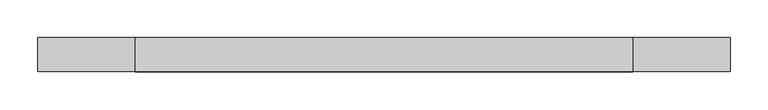
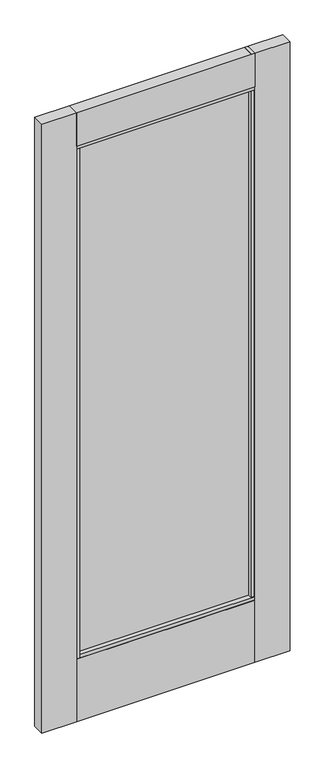
"""IFC4 building model written with IfcOpenShell, lengths in millimetres: plate geometry."""

import ifcopenshell
import ifcopenshell.guid

model = None  # the IFC model being written
_history = None  # IfcOwnerHistory: only IFC2X3 demands one
_inside = {}  # id of a spatial element -> (the spatial element, [elements in it])
_under = {}  # id of a project, library or spatial element -> (it, [spatial elements below it])
_declared = {}  # id of a project -> (the project, [libraries it declares])
_typed = {}  # id of a type object -> (the type object, [elements of that type])
_made_of = {}  # id of a material, layer set ... -> (it, [elements and type objects made of it])


def new_model(schema):
    """Start an empty IFC model of exactly this schema.

    Asked for "IFC4X3", IfcOpenShell would pick the latest addendum, in which some entities
    have other attributes; the version numbers below select the first issue.
    IFC2X3 requires an IfcOwnerHistory on every rooted entity: one is made here for all.
    """
    global model, _history
    if schema == "IFC4X3":
        model = ifcopenshell.file(schema_version=(4, 3, 0, 0))
    else:
        model = ifcopenshell.file(schema=schema)
    _inside.clear()
    _under.clear()
    _declared.clear()
    _typed.clear()
    _made_of.clear()
    _history = None
    if model.schema == "IFC2X3":
        org = make("IfcOrganization", Name="unknown")
        user = make(
            "IfcPersonAndOrganization",
            ThePerson=make("IfcPerson", FamilyName="unknown"),
            TheOrganization=org,
        )
        app = make(
            "IfcApplication",
            ApplicationDeveloper=org,
            Version="unknown",
            ApplicationFullName="unknown",
            ApplicationIdentifier="unknown",
        )
        _history = make(
            "IfcOwnerHistory",
            OwningUser=user,
            OwningApplication=app,
            ChangeAction="ADDED",
            CreationDate=0,
        )
    return model


def make(cls, **values):
    """One entity of the class cls with the attributes given. An attribute that is None is left unset."""
    return model.create_entity(
        cls, **{name: value for name, value in values.items() if value is not None}
    )


def rooted(cls, **values):
    """An entity with a GlobalId (a new one), such as an element, a storey or a relation."""
    return make(cls, GlobalId=ifcopenshell.guid.new(), OwnerHistory=_history, **values)


def si_unit(unit_type, name, prefix=None):
    """IfcSIUnit, for example si_unit("LENGTHUNIT", "METRE", prefix="MILLI")."""
    return make("IfcSIUnit", UnitType=unit_type, Prefix=prefix, Name=name)


def assignment(units):
    """IfcUnitAssignment: the units of a project."""
    return None if units is None else make("IfcUnitAssignment", Units=units)


def point(xyz):
    """IfcCartesianPoint."""
    return None if xyz is None else make("IfcCartesianPoint", Coordinates=xyz)


def direction(xyz):
    """IfcDirection."""
    return None if xyz is None else make("IfcDirection", DirectionRatios=xyz)


def frame(location, z_axis=None, x_axis=None):
    """IfcAxis2Placement3D, a coordinate frame: its origin and axes. An axis left out is left unset."""
    return make(
        "IfcAxis2Placement3D",
        Location=point(location),
        Axis=direction(z_axis),
        RefDirection=direction(x_axis),
    )


def origin():
    """The frame at (0, 0, 0) with its axes left unset."""
    return frame((0.0, 0.0, 0.0))


def place(relative_to, where):
    """IfcLocalPlacement: puts the frame where relative to a parent placement (None: the world)."""
    return make(
        "IfcLocalPlacement", PlacementRelTo=relative_to, RelativePlacement=where
    )


def context(
    kind, dimensions, precision=None, world=None, true_north=None, identifier=None
):
    """IfcGeometricRepresentationContext, for example the 3D "Model" context."""
    return make(
        "IfcGeometricRepresentationContext",
        ContextIdentifier=identifier,
        ContextType=kind,
        CoordinateSpaceDimension=dimensions,
        Precision=precision,
        WorldCoordinateSystem=world,
        TrueNorth=true_north,
    )


def project(units=None, contexts=None):
    """IfcProject with its units and contexts."""
    return rooted(
        "IfcProject",
        Name="project",
        RepresentationContexts=contexts,
        UnitsInContext=assignment(units),
    )


def spatial(cls, under=None, at=None, **own):
    """A site, building, storey or space (cls), placed at a placement, below another one or the project."""
    s = rooted(cls, ObjectPlacement=at, **own)
    if under is not None:
        _under.setdefault(under.id(), (under, []))[1].append(s)
    return s


def polyline(points):
    """IfcPolyline through the points."""
    return make("IfcPolyline", Points=[point(p) for p in points])


def outline(outer, holes=None, kind="AREA"):
    """IfcArbitraryClosedProfileDef: a profile drawn as a closed curve; with holes, ...WithVoids."""
    if holes is None:
        return make("IfcArbitraryClosedProfileDef", ProfileType=kind, OuterCurve=outer)
    return make(
        "IfcArbitraryProfileDefWithVoids",
        ProfileType=kind,
        OuterCurve=outer,
        InnerCurves=holes,
    )


def extrude(swept, where, along, depth):
    """IfcExtrudedAreaSolid: the profile swept, set in the frame where, extruded along a direction by depth."""
    return make(
        "IfcExtrudedAreaSolid",
        SweptArea=swept,
        Position=where,
        ExtrudedDirection=direction(along),
        Depth=depth,
    )


def shape(context_of_items, identifier, shape_type, items):
    """IfcShapeRepresentation: the items that make up one representation, for example the "Body"."""
    return make(
        "IfcShapeRepresentation",
        ContextOfItems=context_of_items,
        RepresentationIdentifier=identifier,
        RepresentationType=shape_type,
        Items=items,
    )


def source(mapping_origin, context_of_items, identifier, shape_type, items):
    """IfcRepresentationMap: a shape defined once, which mapped items show again and again."""
    return make(
        "IfcRepresentationMap",
        MappingOrigin=mapping_origin,
        MappedRepresentation=shape(context_of_items, identifier, shape_type, items),
    )


def transform(
    local_origin,
    x_axis=None,
    y_axis=None,
    z_axis=None,
    scale=None,
    scale2=None,
    scale3=None,
    uniform=True,
):
    """IfcCartesianTransformationOperator3D, or its non-uniform kind. x_axis, y_axis, z_axis: its Axis1, 2, 3."""
    if uniform:
        return make(
            "IfcCartesianTransformationOperator3D",
            Axis1=direction(x_axis),
            Axis2=direction(y_axis),
            LocalOrigin=point(local_origin),
            Scale=scale,
            Axis3=direction(z_axis),
        )
    return make(
        "IfcCartesianTransformationOperator3DnonUniform",
        Axis1=direction(x_axis),
        Axis2=direction(y_axis),
        LocalOrigin=point(local_origin),
        Scale=scale,
        Axis3=direction(z_axis),
        Scale2=scale2,
        Scale3=scale3,
    )


def mapped(mapping_source, mapping_target):
    """IfcMappedItem: shows the shape of a source again, moved by a transform."""
    return make(
        "IfcMappedItem", MappingSource=mapping_source, MappingTarget=mapping_target
    )


def made_of(thing, what):
    """Note that an element or type object is made of a material, layer set ...; save() writes the relation."""
    if what is not None:
        _made_of.setdefault(what.id(), (what, []))[1].append(thing)
    return thing


def element(
    cls,
    number,
    at=None,
    inside=None,
    cuts=None,
    type_object=None,
    material=None,
    context=None,
    identifier="Body",
    shape_type=None,
    held_by="IfcProductDefinitionShape",
    body=None,
    shapes=None,
    **own,
):
    """One element of the class cls, such as IfcWall. Its Tag is "e" and its number.

    at: its placement. inside: the storey or other place that contains it. cuts: it is an
    opening in that element (IfcRelVoidsElement). A single representation is given by context,
    identifier, shape_type and body (its items); several are given by shapes. held_by: the class
    of the entity that holds the representations. save() writes the other relations.
    """
    e = rooted(cls, Tag="e%d" % number, ObjectPlacement=at, **own)
    if body is not None:
        shapes = [shape(context, identifier, shape_type, body)]
    if shapes is not None:
        e.Representation = make(held_by, Representations=shapes)
    if inside is not None:
        _inside.setdefault(inside.id(), (inside, []))[1].append(e)
    if cuts is not None:
        rooted(
            "IfcRelVoidsElement", RelatingBuildingElement=cuts, RelatedOpeningElement=e
        )
    if type_object is not None:
        _typed.setdefault(type_object.id(), (type_object, []))[1].append(e)
    return made_of(e, material)


def aggregate(whole, parts):
    """IfcRelAggregates: a whole, such as a stair, and the parts it consists of."""
    return rooted("IfcRelAggregates", RelatingObject=whole, RelatedObjects=parts)


def save(model, path):
    """Write the relations noted so far, then the file.

    IfcRelAggregates (storeys below a building ...), IfcRelContainedInSpatialStructure (elements
    in a storey), IfcRelDefinesByType, IfcRelAssociatesMaterial and IfcRelDeclares: one each for
    every whole, place, type object, material and project.
    """
    for whole, parts in _under.values():
        aggregate(whole, parts)
    for where, things in _inside.values():
        rooted(
            "IfcRelContainedInSpatialStructure",
            RelatedElements=things,
            RelatingStructure=where,
        )
    for kind, things in _typed.values():
        rooted("IfcRelDefinesByType", RelatedObjects=things, RelatingType=kind)
    for what, things in _made_of.values():
        rooted("IfcRelAssociatesMaterial", RelatedObjects=things, RelatingMaterial=what)
    for by, libraries in _declared.values():
        rooted("IfcRelDeclares", RelatingContext=by, RelatedDefinitions=libraries)
    model.write(path)


def plate_13ab8d4b(model_context):
    return source(origin(), model_context, "Body", "SweptSolid", [
        extrude(outline(polyline([(-14.2875, 2380.8219027), (30.1625, 2380.8219027), (30.1625, 2250.6646827), (28.6026195, 2250.6646827), (28.6026195, 2237.9618887), (14.9374195, 2237.9618887), (14.9374195, 2249.8681387), (1.2472416, 2249.8681387), (1.2472416, 2237.9618887), (-12.4179584, 2237.9618887), (-12.4179584, 2250.6646827), (-14.2875, 2250.6646827), (-14.2875, 2380.8219027)]), holes=[polyline([(27.78125, 2253.0459327), (27.78125, 2378.4406527), (-11.90625, 2378.4406527), (-11.90625, 2253.0459327), (-10.0367084, 2253.0459327), (-10.0367084, 2240.3431387), (-1.1340084, 2240.3431387), (-1.1340084, 2252.2493887), (17.3186695, 2252.2493887), (17.3186695, 2240.3431387), (26.2213695, 2240.3431387), (26.2213695, 2253.0459327), (27.78125, 2253.0459327)])]), frame((-327.8054594, 0.0, 0.0), z_axis=(1.0, 0.0, 0.0), x_axis=(0.0, 1.0, 0.0)), (0.0, 0.0, 1.0), 655.6210344),
        extrude(outline(polyline([(-455.6125, 30.1625), (-327.8054594, 30.1625), (-327.8054594, 28.6026195), (-315.1054594, 28.6026195), (-315.1054594, -12.4179584), (-327.8054594, -12.4179584), (-327.8054594, -14.2875), (-455.6125, -14.2875), (-455.6125, 30.1625)])), frame((0.0, 0.0, 17.4625), z_axis=(0.0, 0.0, 1.0), x_axis=(1.0, 0.0, 0.0)), (0.0, 0.0, 1.0), 2363.3594027),
        extrude(outline(polyline([(-323.4969957, 4.9758145), (-323.4969957, 11.3258145), (319.8966174, 11.3258145), (319.8966174, 4.9758145), (-323.4969957, 4.9758145)])), frame((0.0, 0.0, 263.906), z_axis=(0.0, 0.0, 1.0), x_axis=(1.0, 0.0, 0.0)), (0.0, 0.0, 1.0), 1981.9933887),
        extrude(outline(polyline([(455.6125, 30.1625), (455.6125, -14.2875), (327.815575, -14.2875), (327.815575, -10.1822968), (315.115575, -10.1822968), (315.115575, 28.6026195), (327.815575, 28.6026195), (327.815575, 30.1625), (455.6125, 30.1625)])), frame((0.0, 0.0, 17.4625), z_axis=(0.0, 0.0, 1.0), x_axis=(1.0, 0.0, 0.0)), (0.0, 0.0, 1.0), 2363.3594027),
        extrude(outline(polyline([(-12.4179584, 271.4298836), (28.6026195, 271.4298836), (28.6026195, 258.7303916), (30.1625, 258.7303916), (30.1625, 17.4625), (-14.2875, 17.4625), (-14.2875, 258.7303916), (-12.4179584, 258.7303916), (-12.4179584, 271.4298836)])), frame((-327.8054594, 0.0, 0.0), z_axis=(1.0, 0.0, 0.0), x_axis=(0.0, 1.0, 0.0)), (0.0, 0.0, 1.0), 655.6210344),
    ])


if __name__ == "__main__":
    model = new_model("IFC4")
    model_context = context("Model", 3, world=origin())
    ifc_project = project(units=[si_unit("LENGTHUNIT", "METRE", prefix="MILLI")], contexts=[model_context])
    site = spatial("IfcSite", under=ifc_project)
    building = spatial("IfcBuilding", under=site)
    placement = place(None, origin())
    plate_shape = plate_13ab8d4b(model_context)
    element("IfcPlate", 1, at=placement, inside=building, context=model_context, shape_type="MappedRepresentation", body=[
        mapped(plate_shape, transform((0.0, 0.0, 0.0), x_axis=(1.0, 0.0, 0.0), y_axis=(0.0, 1.0, 0.0), z_axis=(0.0, 0.0, 1.0))),
    ])
    save(model, "model.ifc")
